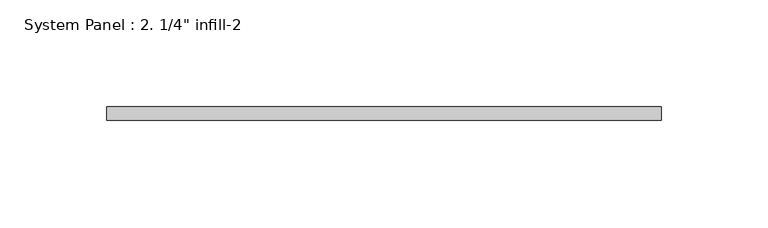
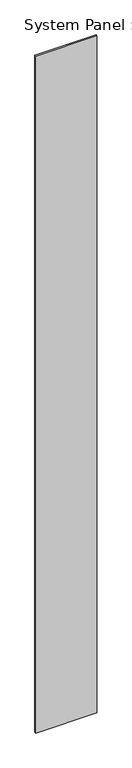
"""IFC4 building model written with IfcOpenShell, lengths in millimetres: plate geometry."""

from ifc_helpers import new_model, si_unit, origin, origin_with_axes, place, context, project, spatial, polyline, outline, extrude, source, transform, mapped, element, save


def plate_7bd915d6(model_context):
    return source(origin(), model_context, "Body", "SweptSolid", [
        extrude(outline(polyline([(130.175, 0.0), (-130.175, 0.0), (-130.175, 6.35), (130.175, 6.35), (130.175, 0.0)])), origin_with_axes(), (0.0, 0.0, 1.0), 3048.0),
    ])


if __name__ == "__main__":
    model = new_model("IFC4")
    model_context = context("Model", 3, world=origin())
    ifc_project = project(units=[si_unit("LENGTHUNIT", "METRE", prefix="MILLI")], contexts=[model_context])
    site = spatial("IfcSite", under=ifc_project)
    building = spatial("IfcBuilding", under=site)
    placement = place(None, origin())
    plate_shape = plate_7bd915d6(model_context)
    element("IfcPlate", 1, ObjectType="System Panel : 2. 1/4\" infill-2", at=placement, inside=building, context=model_context, shape_type="MappedRepresentation", body=[
        mapped(plate_shape, transform((0.0, 0.0, 0.0), x_axis=(1.0, 0.0, 0.0), y_axis=(0.0, 1.0, 0.0), z_axis=(0.0, 0.0, 1.0))),
    ])
    save(model, "model.ifc")
